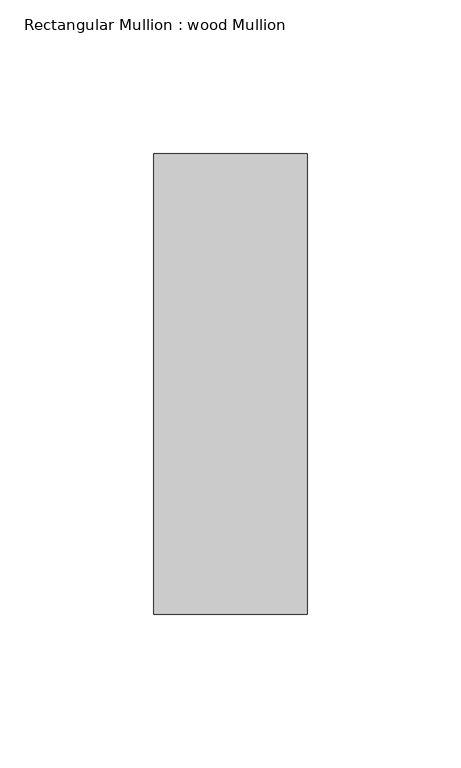
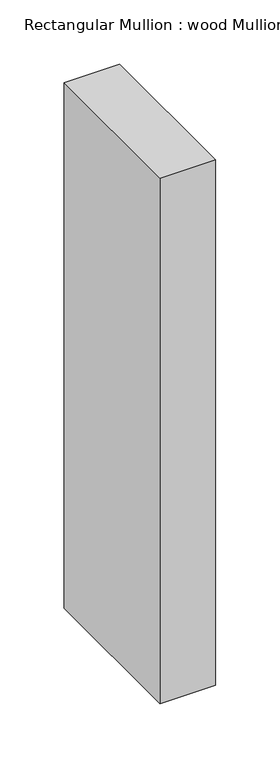
"""IFC4 building model written with IfcOpenShell, lengths in millimetres: member geometry, Rectangular Mullion : wood Mullion."""

from ifc_helpers import new_model, si_unit, frame, origin, place, context, project, spatial, polyline, outline, extrude, source, transform, mapped, element, save


def rectangular_mullion_wood_mullion_9f7c6a88(model_context):
    return source(origin(), model_context, "Body", "SweptSolid", [
        extrude(outline(polyline([(25.0, 75.0), (25.0, -75.0), (-25.0, -75.0), (-25.0, 75.0), (25.0, 75.0)])), frame((0.0, 0.0, -499.9992591), z_axis=(0.0, 0.0, 1.0), x_axis=(1.0, 0.0, 0.0)), (0.0, 0.0, 1.0), 499.9992591),
    ])


if __name__ == "__main__":
    model = new_model("IFC4")
    model_context = context("Model", 3, world=origin())
    ifc_project = project(units=[si_unit("LENGTHUNIT", "METRE", prefix="MILLI")], contexts=[model_context])
    site = spatial("IfcSite", under=ifc_project)
    building = spatial("IfcBuilding", under=site)
    placement = place(None, origin())
    rectangular_mullion_wood_mullion_shape = rectangular_mullion_wood_mullion_9f7c6a88(model_context)
    element("IfcMember", 1, ObjectType="Rectangular Mullion : wood Mullion", at=placement, inside=building, context=model_context, shape_type="MappedRepresentation", body=[
        mapped(rectangular_mullion_wood_mullion_shape, transform((0.0, 0.0, 0.0), x_axis=(1.0, 0.0, 0.0), y_axis=(0.0, 1.0, 0.0), z_axis=(0.0, 0.0, 1.0))),
    ])
    save(model, "model.ifc")
